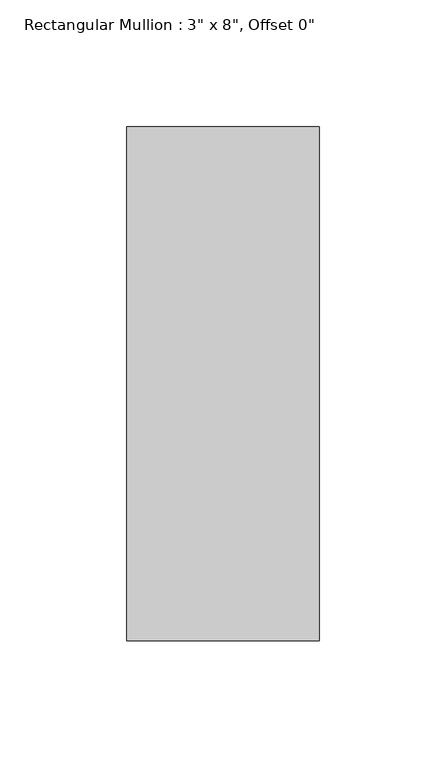
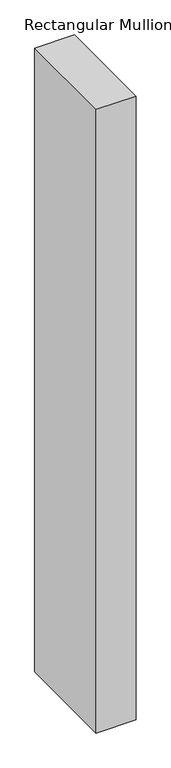
"""IFC4 building model written with IfcOpenShell, lengths in millimetres: member geometry."""

from ifc_helpers import new_model, si_unit, frame, origin, place, context, project, spatial, polyline, outline, extrude, source, transform, mapped, element, save


def member_69d3ba5e(model_context):
    return source(origin(), model_context, "Body", "SweptSolid", [
        extrude(outline(polyline([(0.0, 101.6), (0.0, -101.6), (-76.2, -101.6), (-76.2, 101.6), (0.0, 101.6)])), frame((0.0, 0.0, -1257.3), z_axis=(0.0, 0.0, 1.0), x_axis=(1.0, 0.0, 0.0)), (0.0, 0.0, 1.0), 1257.3),
    ])


if __name__ == "__main__":
    model = new_model("IFC4")
    model_context = context("Model", 3, world=origin())
    ifc_project = project(units=[si_unit("LENGTHUNIT", "METRE", prefix="MILLI")], contexts=[model_context])
    site = spatial("IfcSite", under=ifc_project)
    building = spatial("IfcBuilding", under=site)
    placement = place(None, origin())
    member_shape = member_69d3ba5e(model_context)
    element("IfcMember", 1, ObjectType="Rectangular Mullion : 3\" x 8\", Offset 0\"", at=placement, inside=building, context=model_context, shape_type="MappedRepresentation", body=[
        mapped(member_shape, transform((0.0, 0.0, 0.0), x_axis=(1.0, 0.0, 0.0), y_axis=(0.0, 1.0, 0.0), z_axis=(0.0, 0.0, 1.0))),
    ])
    save(model, "model.ifc")
